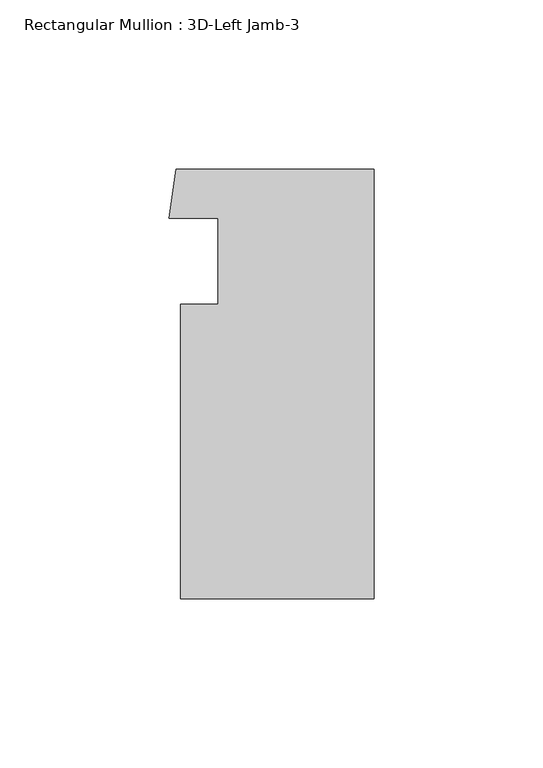
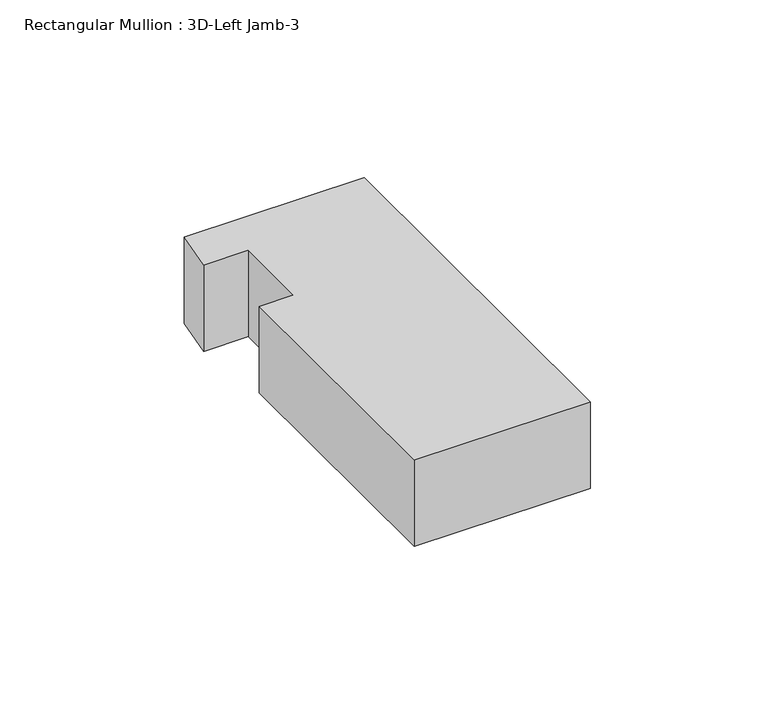
"""IFC4 building model written with IfcOpenShell, lengths in millimetres: member geometry, Rectangular Mullion : 3D-Left Jamb-3."""

import ifcopenshell
import ifcopenshell.guid

model = None  # the IFC model being written
_history = None  # IfcOwnerHistory: only IFC2X3 demands one
_inside = {}  # id of a spatial element -> (the spatial element, [elements in it])
_under = {}  # id of a project, library or spatial element -> (it, [spatial elements below it])
_declared = {}  # id of a project -> (the project, [libraries it declares])
_typed = {}  # id of a type object -> (the type object, [elements of that type])
_made_of = {}  # id of a material, layer set ... -> (it, [elements and type objects made of it])


def new_model(schema):
    """Start an empty IFC model of exactly this schema.

    Asked for "IFC4X3", IfcOpenShell would pick the latest addendum, in which some entities
    have other attributes; the version numbers below select the first issue.
    IFC2X3 requires an IfcOwnerHistory on every rooted entity: one is made here for all.
    """
    global model, _history
    if schema == "IFC4X3":
        model = ifcopenshell.file(schema_version=(4, 3, 0, 0))
    else:
        model = ifcopenshell.file(schema=schema)
    _inside.clear()
    _under.clear()
    _declared.clear()
    _typed.clear()
    _made_of.clear()
    _history = None
    if model.schema == "IFC2X3":
        org = make("IfcOrganization", Name="unknown")
        user = make(
            "IfcPersonAndOrganization",
            ThePerson=make("IfcPerson", FamilyName="unknown"),
            TheOrganization=org,
        )
        app = make(
            "IfcApplication",
            ApplicationDeveloper=org,
            Version="unknown",
            ApplicationFullName="unknown",
            ApplicationIdentifier="unknown",
        )
        _history = make(
            "IfcOwnerHistory",
            OwningUser=user,
            OwningApplication=app,
            ChangeAction="ADDED",
            CreationDate=0,
        )
    return model


def make(cls, **values):
    """One entity of the class cls with the attributes given. An attribute that is None is left unset."""
    return model.create_entity(
        cls, **{name: value for name, value in values.items() if value is not None}
    )


def rooted(cls, **values):
    """An entity with a GlobalId (a new one), such as an element, a storey or a relation."""
    return make(cls, GlobalId=ifcopenshell.guid.new(), OwnerHistory=_history, **values)


def si_unit(unit_type, name, prefix=None):
    """IfcSIUnit, for example si_unit("LENGTHUNIT", "METRE", prefix="MILLI")."""
    return make("IfcSIUnit", UnitType=unit_type, Prefix=prefix, Name=name)


def assignment(units):
    """IfcUnitAssignment: the units of a project."""
    return None if units is None else make("IfcUnitAssignment", Units=units)


def point(xyz):
    """IfcCartesianPoint."""
    return None if xyz is None else make("IfcCartesianPoint", Coordinates=xyz)


def direction(xyz):
    """IfcDirection."""
    return None if xyz is None else make("IfcDirection", DirectionRatios=xyz)


def frame(location, z_axis=None, x_axis=None):
    """IfcAxis2Placement3D, a coordinate frame: its origin and axes. An axis left out is left unset."""
    return make(
        "IfcAxis2Placement3D",
        Location=point(location),
        Axis=direction(z_axis),
        RefDirection=direction(x_axis),
    )


def origin():
    """The frame at (0, 0, 0) with its axes left unset."""
    return frame((0.0, 0.0, 0.0))


def place(relative_to, where):
    """IfcLocalPlacement: puts the frame where relative to a parent placement (None: the world)."""
    return make(
        "IfcLocalPlacement", PlacementRelTo=relative_to, RelativePlacement=where
    )


def context(
    kind, dimensions, precision=None, world=None, true_north=None, identifier=None
):
    """IfcGeometricRepresentationContext, for example the 3D "Model" context."""
    return make(
        "IfcGeometricRepresentationContext",
        ContextIdentifier=identifier,
        ContextType=kind,
        CoordinateSpaceDimension=dimensions,
        Precision=precision,
        WorldCoordinateSystem=world,
        TrueNorth=true_north,
    )


def project(units=None, contexts=None):
    """IfcProject with its units and contexts."""
    return rooted(
        "IfcProject",
        Name="project",
        RepresentationContexts=contexts,
        UnitsInContext=assignment(units),
    )


def spatial(cls, under=None, at=None, **own):
    """A site, building, storey or space (cls), placed at a placement, below another one or the project."""
    s = rooted(cls, ObjectPlacement=at, **own)
    if under is not None:
        _under.setdefault(under.id(), (under, []))[1].append(s)
    return s


def polyline(points):
    """IfcPolyline through the points."""
    return make("IfcPolyline", Points=[point(p) for p in points])


def outline(outer, holes=None, kind="AREA"):
    """IfcArbitraryClosedProfileDef: a profile drawn as a closed curve; with holes, ...WithVoids."""
    if holes is None:
        return make("IfcArbitraryClosedProfileDef", ProfileType=kind, OuterCurve=outer)
    return make(
        "IfcArbitraryProfileDefWithVoids",
        ProfileType=kind,
        OuterCurve=outer,
        InnerCurves=holes,
    )


def extrude(swept, where, along, depth):
    """IfcExtrudedAreaSolid: the profile swept, set in the frame where, extruded along a direction by depth."""
    return make(
        "IfcExtrudedAreaSolid",
        SweptArea=swept,
        Position=where,
        ExtrudedDirection=direction(along),
        Depth=depth,
    )


def shape(context_of_items, identifier, shape_type, items):
    """IfcShapeRepresentation: the items that make up one representation, for example the "Body"."""
    return make(
        "IfcShapeRepresentation",
        ContextOfItems=context_of_items,
        RepresentationIdentifier=identifier,
        RepresentationType=shape_type,
        Items=items,
    )


def source(mapping_origin, context_of_items, identifier, shape_type, items):
    """IfcRepresentationMap: a shape defined once, which mapped items show again and again."""
    return make(
        "IfcRepresentationMap",
        MappingOrigin=mapping_origin,
        MappedRepresentation=shape(context_of_items, identifier, shape_type, items),
    )


def transform(
    local_origin,
    x_axis=None,
    y_axis=None,
    z_axis=None,
    scale=None,
    scale2=None,
    scale3=None,
    uniform=True,
):
    """IfcCartesianTransformationOperator3D, or its non-uniform kind. x_axis, y_axis, z_axis: its Axis1, 2, 3."""
    if uniform:
        return make(
            "IfcCartesianTransformationOperator3D",
            Axis1=direction(x_axis),
            Axis2=direction(y_axis),
            LocalOrigin=point(local_origin),
            Scale=scale,
            Axis3=direction(z_axis),
        )
    return make(
        "IfcCartesianTransformationOperator3DnonUniform",
        Axis1=direction(x_axis),
        Axis2=direction(y_axis),
        LocalOrigin=point(local_origin),
        Scale=scale,
        Axis3=direction(z_axis),
        Scale2=scale2,
        Scale3=scale3,
    )


def mapped(mapping_source, mapping_target):
    """IfcMappedItem: shows the shape of a source again, moved by a transform."""
    return make(
        "IfcMappedItem", MappingSource=mapping_source, MappingTarget=mapping_target
    )


def made_of(thing, what):
    """Note that an element or type object is made of a material, layer set ...; save() writes the relation."""
    if what is not None:
        _made_of.setdefault(what.id(), (what, []))[1].append(thing)
    return thing


def element(
    cls,
    number,
    at=None,
    inside=None,
    cuts=None,
    type_object=None,
    material=None,
    context=None,
    identifier="Body",
    shape_type=None,
    held_by="IfcProductDefinitionShape",
    body=None,
    shapes=None,
    **own,
):
    """One element of the class cls, such as IfcWall. Its Tag is "e" and its number.

    at: its placement. inside: the storey or other place that contains it. cuts: it is an
    opening in that element (IfcRelVoidsElement). A single representation is given by context,
    identifier, shape_type and body (its items); several are given by shapes. held_by: the class
    of the entity that holds the representations. save() writes the other relations.
    """
    e = rooted(cls, Tag="e%d" % number, ObjectPlacement=at, **own)
    if body is not None:
        shapes = [shape(context, identifier, shape_type, body)]
    if shapes is not None:
        e.Representation = make(held_by, Representations=shapes)
    if inside is not None:
        _inside.setdefault(inside.id(), (inside, []))[1].append(e)
    if cuts is not None:
        rooted(
            "IfcRelVoidsElement", RelatingBuildingElement=cuts, RelatedOpeningElement=e
        )
    if type_object is not None:
        _typed.setdefault(type_object.id(), (type_object, []))[1].append(e)
    return made_of(e, material)


def aggregate(whole, parts):
    """IfcRelAggregates: a whole, such as a stair, and the parts it consists of."""
    return rooted("IfcRelAggregates", RelatingObject=whole, RelatedObjects=parts)


def save(model, path):
    """Write the relations noted so far, then the file.

    IfcRelAggregates (storeys below a building ...), IfcRelContainedInSpatialStructure (elements
    in a storey), IfcRelDefinesByType, IfcRelAssociatesMaterial and IfcRelDeclares: one each for
    every whole, place, type object, material and project.
    """
    for whole, parts in _under.values():
        aggregate(whole, parts)
    for where, things in _inside.values():
        rooted(
            "IfcRelContainedInSpatialStructure",
            RelatedElements=things,
            RelatingStructure=where,
        )
    for kind, things in _typed.values():
        rooted("IfcRelDefinesByType", RelatedObjects=things, RelatingType=kind)
    for what, things in _made_of.values():
        rooted("IfcRelAssociatesMaterial", RelatedObjects=things, RelatingMaterial=what)
    for by, libraries in _declared.values():
        rooted("IfcRelDeclares", RelatingContext=by, RelatedDefinitions=libraries)
    model.write(path)


def rectangular_mullion_3d_left_jamb_3_9829009e(model_context):
    return source(origin(), model_context, "Body", "SweptSolid", [
        extrude(outline(polyline([(-57.15, 14.071475), (-46.0375, 14.071475), (-46.0375, 39.4333036), (-60.5514101, 39.4333036), (-58.4903823, 53.975), (0.0, 53.975), (0.0, -73.025), (-57.15, -73.025), (-57.15, 14.071475)])), frame((0.0, 0.0, -29.66714), z_axis=(0.0, 0.0, 1.0), x_axis=(1.0, 0.0, 0.0)), (0.0, 0.0, 1.0), 29.66714),
    ])


if __name__ == "__main__":
    model = new_model("IFC4")
    model_context = context("Model", 3, world=origin())
    ifc_project = project(units=[si_unit("LENGTHUNIT", "METRE", prefix="MILLI")], contexts=[model_context])
    site = spatial("IfcSite", under=ifc_project)
    building = spatial("IfcBuilding", under=site)
    placement = place(None, origin())
    rectangular_mullion_3d_left_jamb_3_shape = rectangular_mullion_3d_left_jamb_3_9829009e(model_context)
    element("IfcMember", 1, ObjectType="Rectangular Mullion : 3D-Left Jamb-3", at=placement, inside=building, context=model_context, shape_type="MappedRepresentation", body=[
        mapped(rectangular_mullion_3d_left_jamb_3_shape, transform((0.0, 0.0, 0.0), x_axis=(1.0, 0.0, 0.0), y_axis=(0.0, 1.0, 0.0), z_axis=(0.0, 0.0, 1.0))),
    ])
    save(model, "model.ifc")
